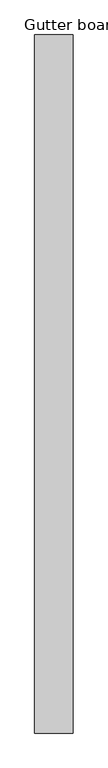
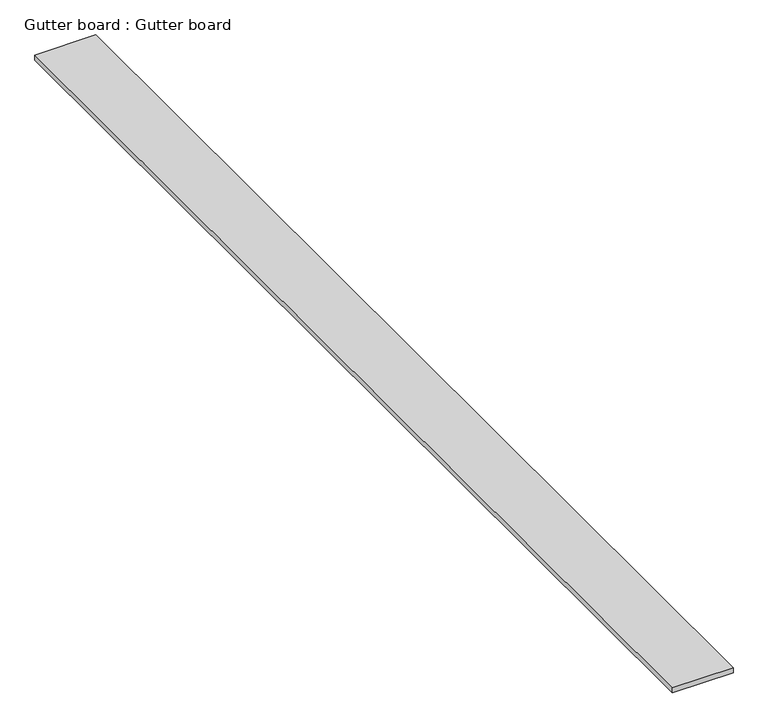
"""IFC4 building model written with IfcOpenShell, lengths in millimetres: proxy geometry, Gutter board : Gutter board."""

from ifc_helpers import new_model, si_unit, frame, origin, place, context, project, spatial, polyline, outline, extrude, source, transform, mapped, element, save


def gutter_board_gutter_board_d200a7a6(model_context):
    return source(origin(), model_context, "Body", "SweptSolid", [
        extrude(outline(polyline([(-1204.2625768, -4551.0033806), (-1374.2625768, -4551.0033806), (-1374.2625768, -1461.0033806), (-1204.2625768, -1461.0033806), (-1204.2625768, -4551.0033806)])), frame((0.0, 0.0, 3784.2452806), z_axis=(0.0, 0.0, 1.0), x_axis=(1.0, 0.0, 0.0)), (0.0, 0.0, 1.0), 15.0),
    ])


if __name__ == "__main__":
    model = new_model("IFC4")
    model_context = context("Model", 3, world=origin())
    ifc_project = project(units=[si_unit("LENGTHUNIT", "METRE", prefix="MILLI")], contexts=[model_context])
    site = spatial("IfcSite", under=ifc_project)
    building = spatial("IfcBuilding", under=site)
    placement = place(None, origin())
    gutter_board_gutter_board_shape = gutter_board_gutter_board_d200a7a6(model_context)
    element("IfcBuildingElementProxy", 1, Name="Gutter board : Gutter board", ObjectType="Gutter board : Gutter board", at=placement, inside=building, context=model_context, shape_type="MappedRepresentation", body=[
        mapped(gutter_board_gutter_board_shape, transform((0.0, 0.0, 0.0), x_axis=(1.0, 0.0, 0.0), y_axis=(0.0, 1.0, 0.0), z_axis=(0.0, 0.0, 1.0))),
    ])
    save(model, "model.ifc")
